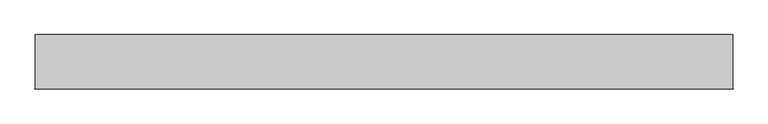
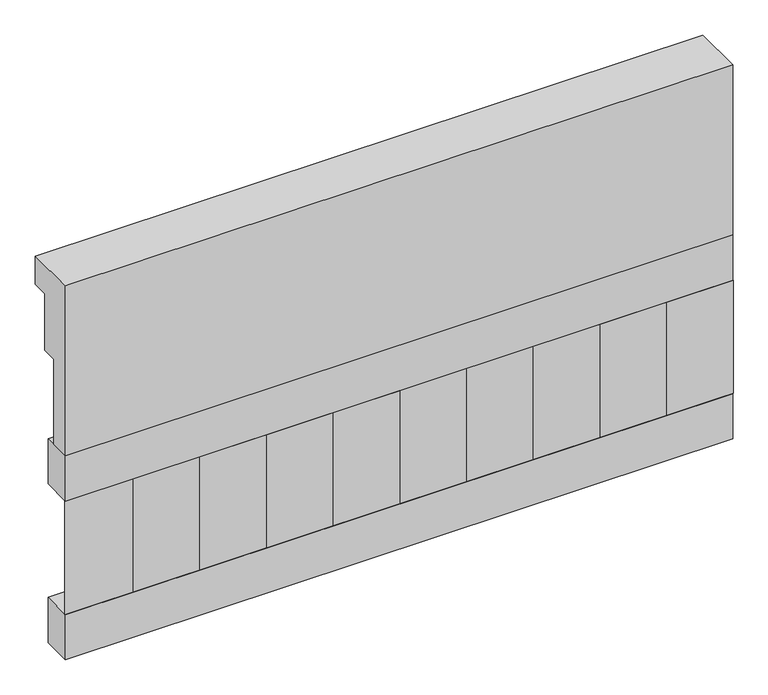
"""IFC4 building model written with IfcOpenShell, lengths in millimetres: railing geometry."""

from ifc_helpers import new_model, si_unit, frame, origin, place, context, project, spatial, polyline, outline, extrude, source, transform, mapped, element, save


def railing_ca3b9211(model_context):
    return source(origin(), model_context, "Body", "SweptSolid", [
        extrude(outline(polyline([(903.1079487, 18500.0), (1033.1079487, 18500.0), (1033.1079487, 18425.0), (993.1079487, 18425.0), (993.1079487, 18275.0), (953.1079487, 18275.0), (953.1079487, 18050.0), (903.1079487, 18050.0), (903.1079487, 18500.0)])), frame((-19279.9887159, 0.0, 0.0), z_axis=(1.0, 0.0, 0.0), x_axis=(0.0, 1.0, 0.0)), (0.0, 0.0, 1.0), 1670.0),
        extrude(outline(polyline([(-17609.9887159, 978.1079487), (-17609.9887159, 903.1079487), (-19279.9887159, 903.1079487), (-19279.9887159, 978.1079487), (-17609.9887159, 978.1079487)])), frame((0.0, 0.0, 17930.0), z_axis=(0.0, 0.0, 1.0), x_axis=(1.0, 0.0, 0.0)), (0.0, 0.0, 1.0), 120.0),
        extrude(outline(polyline([(-17609.9887159, 978.1079487), (-17609.9887159, 903.1079487), (-19279.9887159, 903.1079487), (-19279.9887159, 978.1079487), (-17609.9887159, 978.1079487)])), frame((0.0, 0.0, 17510.0), z_axis=(0.0, 0.0, 1.0), x_axis=(1.0, 0.0, 0.0)), (0.0, 0.0, 1.0), 120.0),
        extrude(outline(polyline([(-19196.4887159, 987.9607624), (-19111.6359022, 903.1079487), (-19281.3415296, 903.1079487), (-19196.4887159, 987.9607624)])), frame((0.0, 0.0, 17630.0), z_axis=(0.0, 0.0, 1.0), x_axis=(1.0, 0.0, 0.0)), (0.0, 0.0, 1.0), 300.0),
        extrude(outline(polyline([(-19029.4887159, 987.9607624), (-18944.6359022, 903.1079487), (-19114.3415296, 903.1079487), (-19029.4887159, 987.9607624)])), frame((0.0, 0.0, 17630.0), z_axis=(0.0, 0.0, 1.0), x_axis=(1.0, 0.0, 0.0)), (0.0, 0.0, 1.0), 300.0),
        extrude(outline(polyline([(-18862.4887159, 987.9607624), (-18777.6359022, 903.1079487), (-18947.3415296, 903.1079487), (-18862.4887159, 987.9607624)])), frame((0.0, 0.0, 17630.0), z_axis=(0.0, 0.0, 1.0), x_axis=(1.0, 0.0, 0.0)), (0.0, 0.0, 1.0), 300.0),
        extrude(outline(polyline([(-18695.4887159, 987.9607624), (-18610.6359022, 903.1079487), (-18780.3415296, 903.1079487), (-18695.4887159, 987.9607624)])), frame((0.0, 0.0, 17630.0), z_axis=(0.0, 0.0, 1.0), x_axis=(1.0, 0.0, 0.0)), (0.0, 0.0, 1.0), 300.0),
        extrude(outline(polyline([(-18528.4887159, 987.9607624), (-18443.6359022, 903.1079487), (-18613.3415296, 903.1079487), (-18528.4887159, 987.9607624)])), frame((0.0, 0.0, 17630.0), z_axis=(0.0, 0.0, 1.0), x_axis=(1.0, 0.0, 0.0)), (0.0, 0.0, 1.0), 300.0),
        extrude(outline(polyline([(-18361.4887159, 987.9607624), (-18276.6359022, 903.1079487), (-18446.3415296, 903.1079487), (-18361.4887159, 987.9607624)])), frame((0.0, 0.0, 17630.0), z_axis=(0.0, 0.0, 1.0), x_axis=(1.0, 0.0, 0.0)), (0.0, 0.0, 1.0), 300.0),
        extrude(outline(polyline([(-18194.4887159, 987.9607624), (-18109.6359022, 903.1079487), (-18279.3415296, 903.1079487), (-18194.4887159, 987.9607624)])), frame((0.0, 0.0, 17630.0), z_axis=(0.0, 0.0, 1.0), x_axis=(1.0, 0.0, 0.0)), (0.0, 0.0, 1.0), 300.0),
        extrude(outline(polyline([(-18027.4887159, 987.9607624), (-17942.6359022, 903.1079487), (-18112.3415296, 903.1079487), (-18027.4887159, 987.9607624)])), frame((0.0, 0.0, 17630.0), z_axis=(0.0, 0.0, 1.0), x_axis=(1.0, 0.0, 0.0)), (0.0, 0.0, 1.0), 300.0),
        extrude(outline(polyline([(-17860.4887159, 987.9607624), (-17775.6359022, 903.1079487), (-17945.3415296, 903.1079487), (-17860.4887159, 987.9607624)])), frame((0.0, 0.0, 17630.0), z_axis=(0.0, 0.0, 1.0), x_axis=(1.0, 0.0, 0.0)), (0.0, 0.0, 1.0), 300.0),
        extrude(outline(polyline([(-17693.4887159, 987.9607624), (-17608.6359022, 903.1079487), (-17778.3415296, 903.1079487), (-17693.4887159, 987.9607624)])), frame((0.0, 0.0, 17630.0), z_axis=(0.0, 0.0, 1.0), x_axis=(1.0, 0.0, 0.0)), (0.0, 0.0, 1.0), 300.0),
    ])


if __name__ == "__main__":
    model = new_model("IFC4")
    model_context = context("Model", 3, world=origin())
    ifc_project = project(units=[si_unit("LENGTHUNIT", "METRE", prefix="MILLI")], contexts=[model_context])
    site = spatial("IfcSite", under=ifc_project)
    building = spatial("IfcBuilding", under=site)
    placement = place(None, origin())
    railing_shape = railing_ca3b9211(model_context)
    element("IfcRailing", 1, at=placement, inside=building, context=model_context, shape_type="MappedRepresentation", body=[
        mapped(railing_shape, transform((0.0, 0.0, 0.0), x_axis=(1.0, 0.0, 0.0), y_axis=(0.0, 1.0, 0.0), z_axis=(0.0, 0.0, 1.0))),
    ])
    save(model, "model.ifc")
